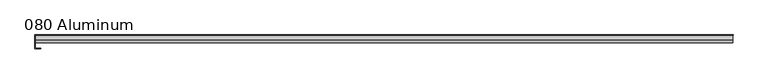
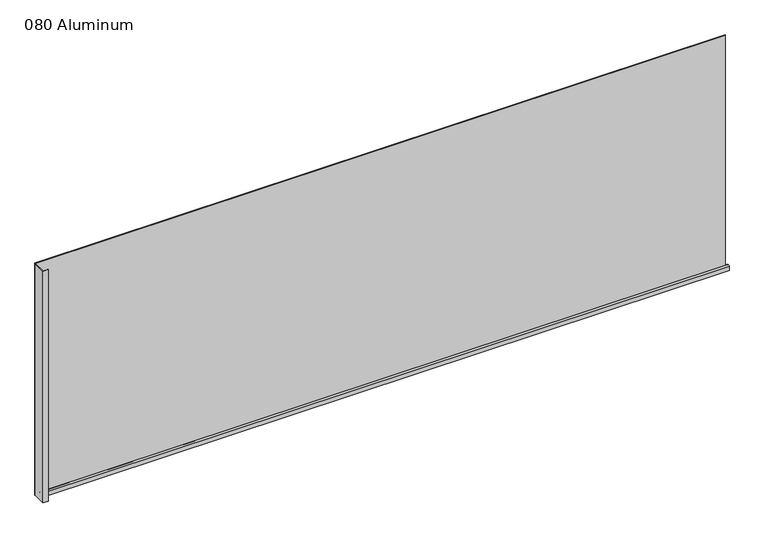
"""IFC4 building model written with IfcOpenShell, lengths in millimetres: plate geometry, 080 Aluminum."""

from ifc_helpers import new_model, si_unit, point, frame, frame_2d, origin, origin_with_axes, place, context, project, spatial, polyline, circle_curve, trimmed, segment, composite_curve, outline, extrude, source, transform, mapped, element, save


def plate_080_aluminum_3b58a448(model_context):
    return source(origin(), model_context, "Body", "SweptSolid", [
        extrude(outline(polyline([(-873.9426921, 2.5660257), (-861.0521916, 2.5660257), (-861.0521916, 1.2699999), (-875.2126921, 1.2699999), (-875.2126921, 34.7980001), (-873.9426921, 34.7980001), (-873.9426921, 2.5660257)])), origin_with_axes(), (0.0, 0.0, 1.0), 621.03),
        extrude(outline(composite_curve([segment(trimmed(circle_curve(frame_2d((19.8514743, 13.124237)), 3.175), [point((16.6765477, 13.1458337))], [point((23.0264743, 13.124237))], False, "CARTESIAN"), True, "CONTINUOUS"), segment(polyline([(23.0264743, 13.124237), (23.0264743, 1.2693678), (34.7980002, 1.2693678), (34.7980002, 0.0), (21.7564743, 0.0), (21.7564743, 13.124237)]), True, "CONTINUOUS"), segment(trimmed(circle_curve(frame_2d((19.8514743, 13.124237)), 1.905), [point((21.7564743, 13.124237))], [point((17.9464915, 13.1323356))], True, "CARTESIAN"), True, "CONTINUOUS"), segment(polyline([(17.9464915, 13.1323356), (17.9464915, 2.786437), (16.6765477, 2.786437), (16.6765477, 13.1458337)]), True, "CONTINUOUS")], self_intersect=False)), frame((-873.9426921, 0.0, 0.0), z_axis=(1.0, 0.0, 0.0), x_axis=(0.0, 1.0, 0.0)), (0.0, 0.0, 1.0), 1747.8853843),
        extrude(outline(polyline([(-875.2126921, 36.068), (875.2126921, 36.068), (875.2126921, 34.7980001), (-875.2126921, 34.7980001), (-875.2126921, 36.068)])), origin_with_axes(), (0.0, 0.0, 1.0), 622.3),
    ])


if __name__ == "__main__":
    model = new_model("IFC4")
    model_context = context("Model", 3, world=origin())
    ifc_project = project(units=[si_unit("LENGTHUNIT", "METRE", prefix="MILLI")], contexts=[model_context])
    site = spatial("IfcSite", under=ifc_project)
    building = spatial("IfcBuilding", under=site)
    placement = place(None, origin())
    plate_080_aluminum_shape = plate_080_aluminum_3b58a448(model_context)
    element("IfcPlate", 1, ObjectType="080 Aluminum", at=placement, inside=building, context=model_context, shape_type="MappedRepresentation", body=[
        mapped(plate_080_aluminum_shape, transform((0.0, 0.0, 0.0), x_axis=(1.0, 0.0, 0.0), y_axis=(0.0, 1.0, 0.0), z_axis=(0.0, 0.0, 1.0))),
    ])
    save(model, "model.ifc")
